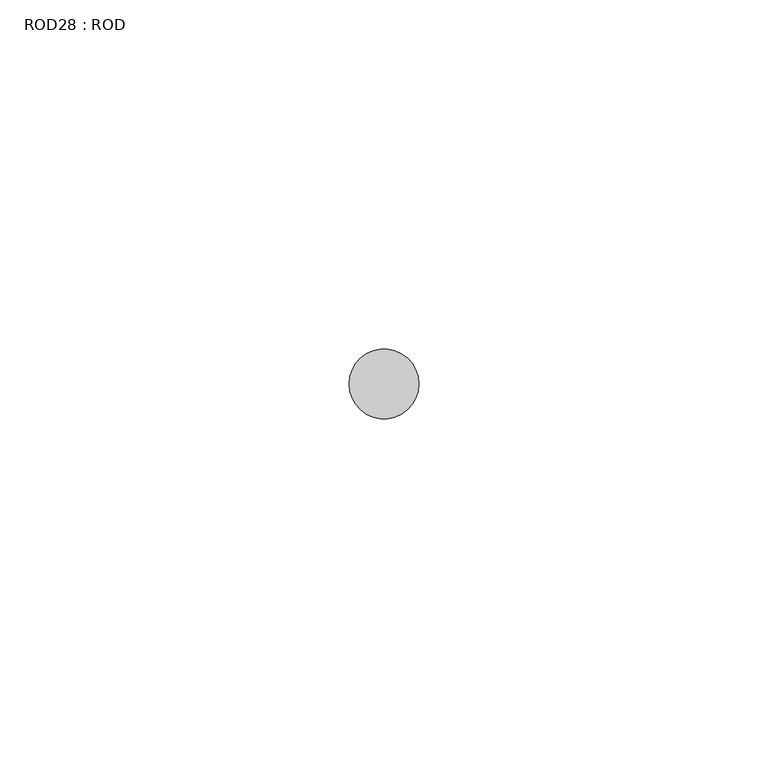
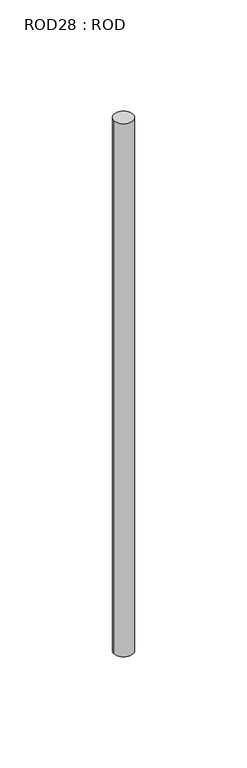
"""IFC4 building model written with IfcOpenShell, lengths in millimetres: proxy geometry, ROD28 : ROD."""

from ifc_helpers import new_model, si_unit, point, frame, frame_2d, origin, place, context, project, spatial, circle_curve, trimmed, segment, composite_curve, outline, extrude, source, transform, mapped, element, save


def rod28_rod_29df4c88(model_context):
    return source(origin(), model_context, "Body", "SweptSolid", [
        extrude(outline(composite_curve([segment(trimmed(circle_curve(frame_2d((-2347.2215616, -1114.6300853)), 5.0), [point((-2352.2215616, -1114.6300853))], [point((-2342.2215616, -1114.6300853))], False, "CARTESIAN"), True, "CONTINUOUS"), segment(trimmed(circle_curve(frame_2d((-2347.2215616, -1114.6300853)), 5.0), [point((-2342.2215616, -1114.6300853))], [point((-2352.2215616, -1114.6300853))], False, "CARTESIAN"), True, "CONTINUOUS")], self_intersect=False)), frame((0.0, 0.0, -208.6608845), z_axis=(0.0, 0.0, 1.0), x_axis=(1.0, 0.0, 0.0)), (0.0, 0.0, 1.0), 298.9028972),
    ])


if __name__ == "__main__":
    model = new_model("IFC4")
    model_context = context("Model", 3, world=origin())
    ifc_project = project(units=[si_unit("LENGTHUNIT", "METRE", prefix="MILLI")], contexts=[model_context])
    site = spatial("IfcSite", under=ifc_project)
    building = spatial("IfcBuilding", under=site)
    placement = place(None, origin())
    rod28_rod_shape = rod28_rod_29df4c88(model_context)
    element("IfcBuildingElementProxy", 1, Name="ROD28 : ROD", ObjectType="ROD28 : ROD", at=placement, inside=building, context=model_context, shape_type="MappedRepresentation", body=[
        mapped(rod28_rod_shape, transform((0.0, 0.0, 0.0), x_axis=(1.0, 0.0, 0.0), y_axis=(0.0, 1.0, 0.0), z_axis=(0.0, 0.0, 1.0))),
    ])
    save(model, "model.ifc")
